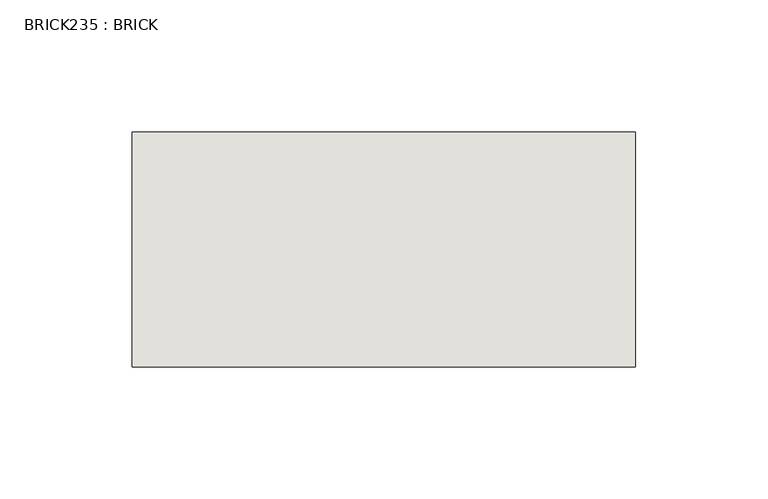
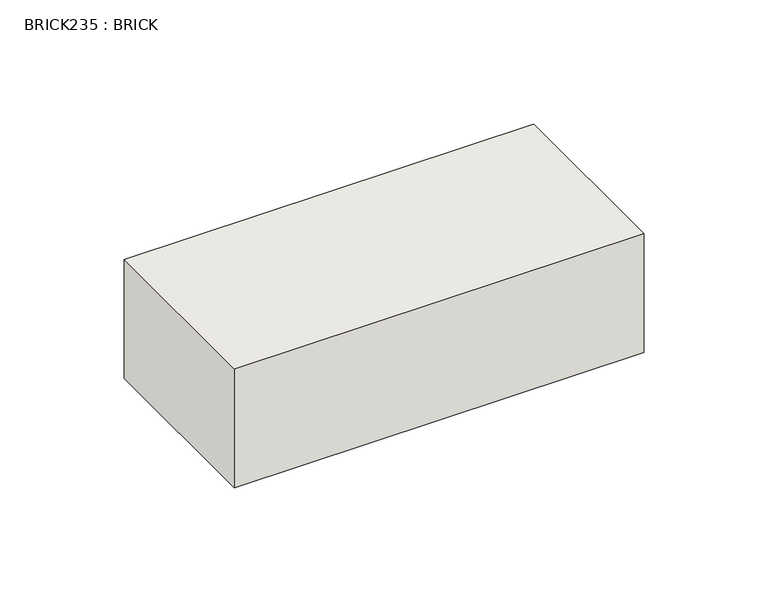
"""IFC4 building model written with IfcOpenShell, lengths in millimetres: wall geometry, BRICK235 : BRICK."""

from ifc_helpers import new_model, si_unit, frame, origin, place, context, project, spatial, polyline, outline, extrude, source, transform, mapped, element, save


def brick235_brick_11ce6d65(model_context):
    return source(origin(), model_context, "Body", "SweptSolid", [
        extrude(outline(polyline([(-1684.2574357, 3062.3923312), (-1493.7574357, 3062.3923312), (-1493.7574357, 2973.4923312), (-1684.2574357, 2973.4923312), (-1684.2574357, 3062.3923312)])), frame((0.0, 0.0, 143.8671875), z_axis=(0.0, 0.0, 1.0), x_axis=(1.0, 0.0, 0.0)), (0.0, 0.0, 1.0), 58.4398437),
    ])


if __name__ == "__main__":
    model = new_model("IFC4")
    model_context = context("Model", 3, world=origin())
    ifc_project = project(units=[si_unit("LENGTHUNIT", "METRE", prefix="MILLI")], contexts=[model_context])
    site = spatial("IfcSite", under=ifc_project)
    building = spatial("IfcBuilding", under=site)
    placement = place(None, origin())
    brick235_brick_shape = brick235_brick_11ce6d65(model_context)
    element("IfcWall", 1, ObjectType="BRICK235 : BRICK", at=placement, inside=building, context=model_context, shape_type="MappedRepresentation", body=[
        mapped(brick235_brick_shape, transform((0.0, 0.0, 0.0), x_axis=(1.0, 0.0, 0.0), y_axis=(0.0, 1.0, 0.0), z_axis=(0.0, 0.0, 1.0))),
    ])
    save(model, "model.ifc")
